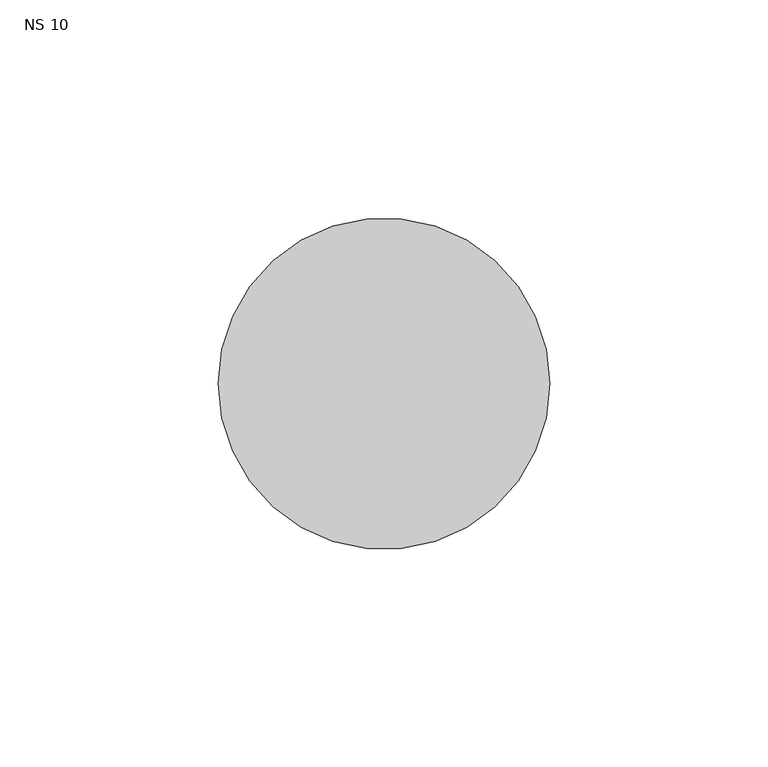
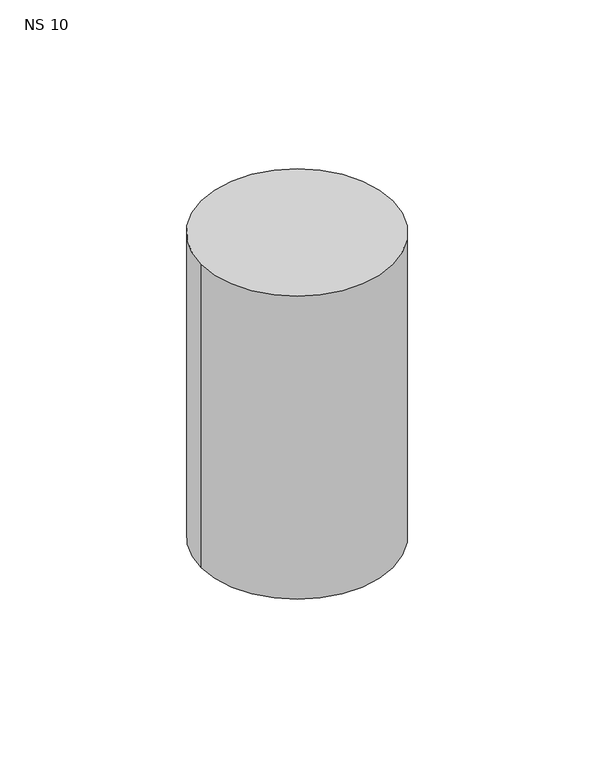
"""IFC4 building model written with IfcOpenShell, lengths in millimetres: unitary equipment geometry, NS 10."""

from ifc_helpers import new_model, si_unit, point, frame, frame_2d, origin, place, context, project, spatial, circle_curve, trimmed, segment, composite_curve, outline, extrude, source, transform, mapped, element, save


def ns_10_48596649(model_context):
    return source(origin(), model_context, "Body", "SweptSolid", [
        extrude(outline(composite_curve([segment(trimmed(circle_curve(frame_2d((-1010.2, 281.1395574)), 38.0), [point((-1048.2, 281.1395574))], [point((-972.2, 281.1395574))], False, "CARTESIAN"), True, "CONTINUOUS"), segment(trimmed(circle_curve(frame_2d((-1010.2, 281.1395574)), 38.0), [point((-972.2, 281.1395574))], [point((-1048.2, 281.1395574))], False, "CARTESIAN"), True, "CONTINUOUS")], self_intersect=False)), frame((0.0, 0.0, 1510.0), z_axis=(0.0, 0.0, 1.0), x_axis=(1.0, 0.0, 0.0)), (0.0, 0.0, 1.0), 127.0),
    ])


if __name__ == "__main__":
    model = new_model("IFC4")
    model_context = context("Model", 3, world=origin())
    ifc_project = project(units=[si_unit("LENGTHUNIT", "METRE", prefix="MILLI")], contexts=[model_context])
    site = spatial("IfcSite", under=ifc_project)
    building = spatial("IfcBuilding", under=site)
    placement = place(None, origin())
    ns_10_shape = ns_10_48596649(model_context)
    element("IfcUnitaryEquipment", 1, ObjectType="NS 10", at=placement, inside=building, context=model_context, shape_type="MappedRepresentation", body=[
        mapped(ns_10_shape, transform((0.0, 0.0, 0.0), x_axis=(1.0, 0.0, 0.0), y_axis=(0.0, 1.0, 0.0), z_axis=(0.0, 0.0, 1.0))),
    ])
    save(model, "model.ifc")
